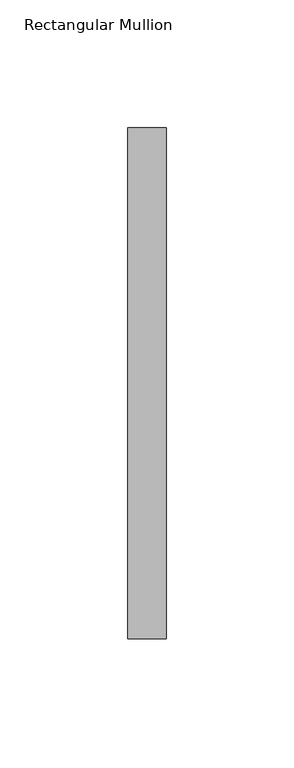
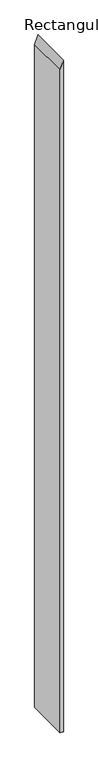
"""IFC4 building model written with IfcOpenShell, lengths in millimetres: member geometry, Rectangular Mullion."""

from ifc_helpers import new_model, si_unit, frame, origin, place, context, project, spatial, polyline, outline, extrude, source, transform, mapped, element, save


def rectangular_mullion_0cd9f779(model_context):
    return source(origin(), model_context, "Body", "SweptSolid", [
        extrude(outline(polyline([(0.0, 0.0), (-41.2453775, -15.0), (-3240.191991, -15.0), (-3240.191991, 0.0), (0.0, 0.0)])), frame((0.0, 53.0, 0.0), z_axis=(0.0, 1.0, 0.0), x_axis=(0.0, 0.0, 1.0)), (0.0, 0.0, 1.0), 200.0),
    ])


if __name__ == "__main__":
    model = new_model("IFC4")
    model_context = context("Model", 3, world=origin())
    ifc_project = project(units=[si_unit("LENGTHUNIT", "METRE", prefix="MILLI")], contexts=[model_context])
    site = spatial("IfcSite", under=ifc_project)
    building = spatial("IfcBuilding", under=site)
    placement = place(None, origin())
    rectangular_mullion_shape = rectangular_mullion_0cd9f779(model_context)
    element("IfcMember", 1, ObjectType="Rectangular Mullion", at=placement, inside=building, context=model_context, shape_type="MappedRepresentation", body=[
        mapped(rectangular_mullion_shape, transform((0.0, 0.0, 0.0), x_axis=(1.0, 0.0, 0.0), y_axis=(0.0, 1.0, 0.0), z_axis=(0.0, 0.0, 1.0))),
    ])
    save(model, "model.ifc")
